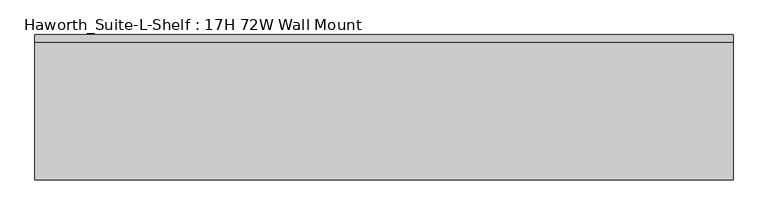
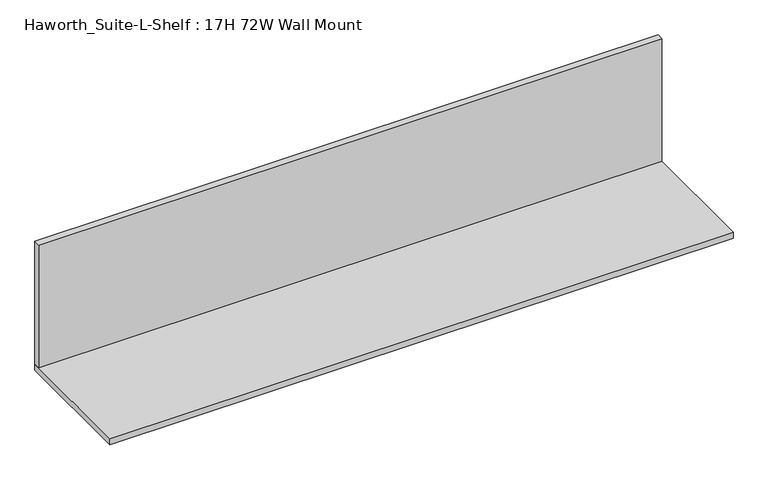
"""IFC4 building model written with IfcOpenShell, lengths in millimetres: furniture geometry, Haworth_Suite-L-Shelf : 17H 72W Wall Mount."""

from ifc_helpers import new_model, si_unit, frame, origin, place, context, project, spatial, polyline, outline, extrude, source, transform, mapped, element, save


def haworth_suite_l_shelf_17h_72w_wall_mount_d48b6196(model_context):
    return source(origin(), model_context, "Body", "SweptSolid", [
        extrude(outline(polyline([(901.7, -12.7), (901.7, -31.75), (-927.1, -31.75), (-927.1, -12.7), (901.7, -12.7)])), frame((0.0, 0.0, 1250.95), z_axis=(0.0, 0.0, 1.0), x_axis=(1.0, 0.0, 0.0)), (0.0, 0.0, 1.0), 381.0),
        extrude(outline(polyline([(901.7, -12.7), (901.7, -393.7), (-927.1, -393.7), (-927.1, -12.7), (901.7, -12.7)])), frame((0.0, 0.0, 1231.9), z_axis=(0.0, 0.0, 1.0), x_axis=(1.0, 0.0, 0.0)), (0.0, 0.0, 1.0), 19.05),
    ])


if __name__ == "__main__":
    model = new_model("IFC4")
    model_context = context("Model", 3, world=origin())
    ifc_project = project(units=[si_unit("LENGTHUNIT", "METRE", prefix="MILLI")], contexts=[model_context])
    site = spatial("IfcSite", under=ifc_project)
    building = spatial("IfcBuilding", under=site)
    placement = place(None, origin())
    haworth_suite_l_shelf_17h_72w_wall_mount_shape = haworth_suite_l_shelf_17h_72w_wall_mount_d48b6196(model_context)
    element("IfcFurniture", 1, ObjectType="Haworth_Suite-L-Shelf : 17H 72W Wall Mount", at=placement, inside=building, context=model_context, shape_type="MappedRepresentation", body=[
        mapped(haworth_suite_l_shelf_17h_72w_wall_mount_shape, transform((0.0, 0.0, 0.0), x_axis=(1.0, 0.0, 0.0), y_axis=(0.0, 1.0, 0.0), z_axis=(0.0, 0.0, 1.0))),
    ])
    save(model, "model.ifc")
